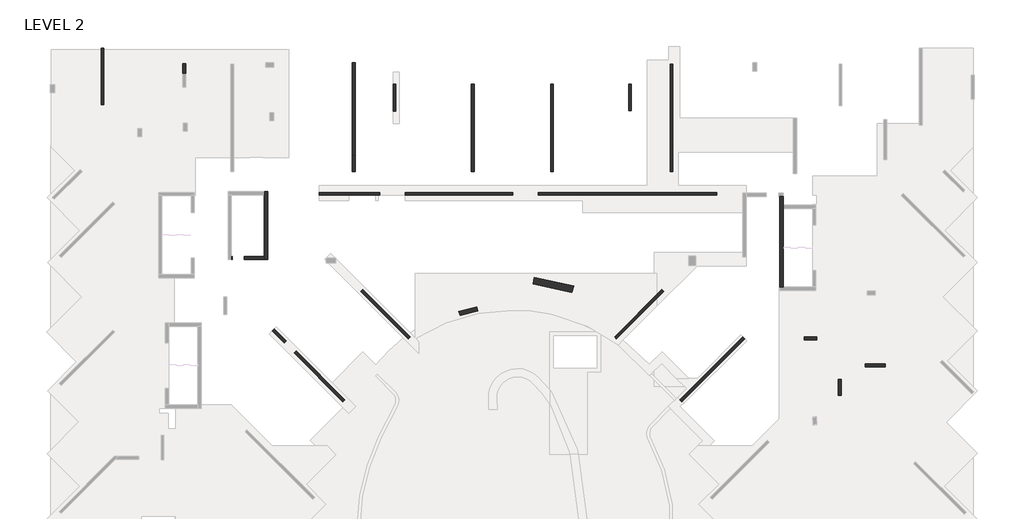
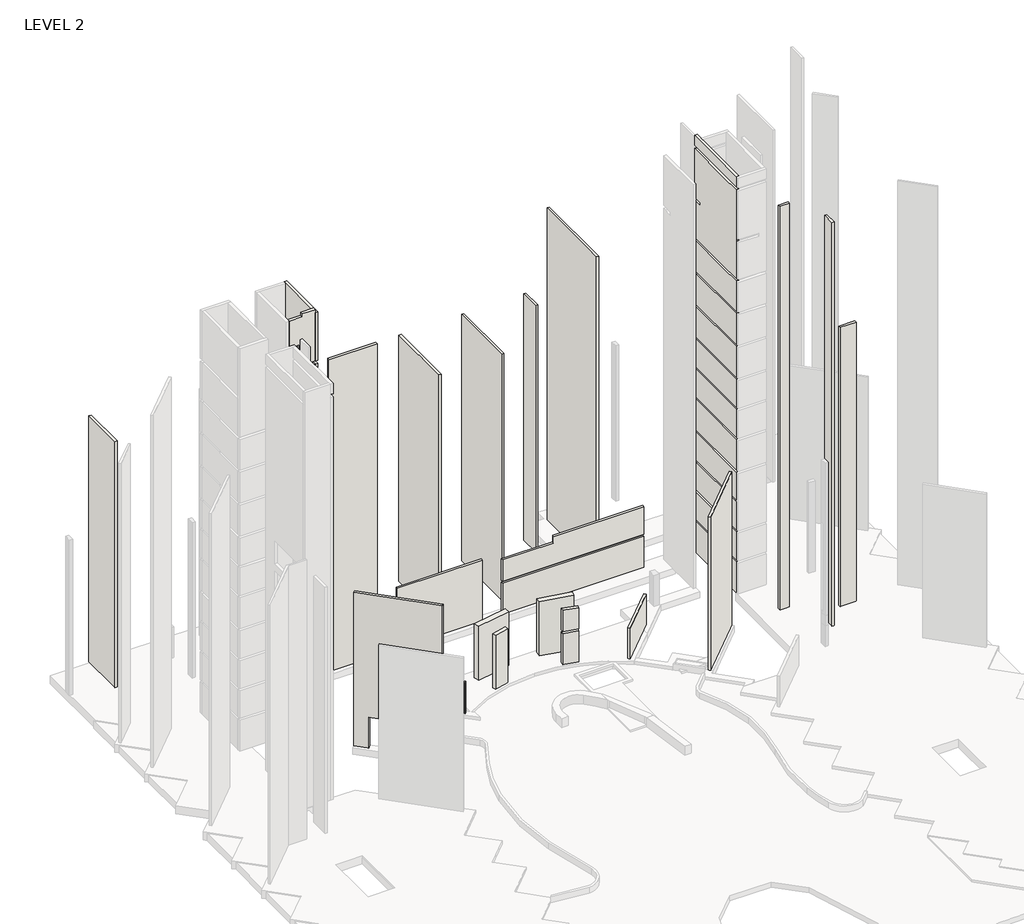
# One storey, part 4 of 9: 26 walls.
"""IFC4 building model written with IfcOpenShell, lengths in millimetres."""

from ifc_helpers import new_model, si_unit, point, frame, frame_2d, origin, place, context, project, spatial, polyline, circle_curve, trimmed, segment, composite_curve, outline, extrude, faceted_brep, element, save

model = new_model("IFC4")

# Units and contexts
model_context = context("Model", 3, world=origin())
ifc_project = project(units=[si_unit("LENGTHUNIT", "METRE", prefix="MILLI")], contexts=[model_context])

# Site, building, storey
site = spatial("IfcSite", under=ifc_project)
building = spatial("IfcBuilding", under=site)
storey = spatial("IfcBuildingStorey", under=building, Name="LEVEL 2", Elevation=6400.0)

# Walls
placement = place(None, origin())
element("IfcWall", 1, ObjectType="200 WALL", at=placement, inside=storey, context=model_context, shape_type="SweptSolid", body=[
    extrude(outline(polyline([(199994.4437068, 210295.6983002), (199994.4437068, 209085.6983002), (199794.4437068, 209085.6983002), (199794.4437068, 210295.6983002), (199994.4437068, 210295.6983002)])), frame((0.0, 0.0, 6400.0), z_axis=(0.0, 0.0, 1.0), x_axis=(1.0, 0.0, 0.0)), (0.0, 0.0, 1.0), 24300.0),
])
element("IfcWall", 2, ObjectType="200 WALL", at=placement, inside=storey, context=model_context, shape_type="SweptSolid", body=[
    extrude(outline(polyline([(228799.2504613, 196733.6398105), (224132.3457055, 192066.7350547), (223990.9243492, 192208.1564109), (228657.829105, 196875.0611667), (228799.2504613, 196733.6398105)])), frame((0.0, 0.0, 6400.0), z_axis=(0.0, 0.0, 1.0), x_axis=(1.0, 0.0, 0.0)), (0.0, 0.0, 1.0), 15150.0),
])
element("IfcWall", 3, ObjectType="200 WALL", at=placement, inside=storey, context=model_context, shape_type="SweptSolid", body=[
    extrude(outline(polyline([(181407.3096673, 218242.6490083), (181407.3096673, 214045.7315944), (181207.3096673, 214045.7315944), (181207.3096673, 218242.6490083), (181407.3096673, 218242.6490083)])), frame((0.0, 0.0, 6400.0), z_axis=(0.0, 0.0, 1.0), x_axis=(1.0, 0.0, 0.0)), (0.0, 0.0, 1.0), 24300.0),
])
element("IfcWall", 4, ObjectType="200 WALL", at=placement, inside=storey, context=model_context, shape_type="SweptSolid", body=[
    extrude(outline(polyline([(233213.3270284, 196855.6796194), (234113.3270284, 196855.6796194), (234113.3270284, 196655.6796194), (233213.3270284, 196655.6796194), (233213.3270284, 196855.6796194)])), frame((0.0, 0.0, 6400.0), z_axis=(0.0, 0.0, 1.0), x_axis=(1.0, 0.0, 0.0)), (0.0, 0.0, 1.0), 39850.0),
])
element("IfcWall", 5, ObjectType="200 WALL", at=placement, inside=storey, context=model_context, shape_type="SweptSolid", body=[
    extrude(outline(polyline([(200550.8503412, 200366.4902975), (204056.5742542, 196860.7663845), (203915.1528979, 196719.3450283), (200409.428985, 200225.0689412), (200550.8503412, 200366.4902975)])), frame((0.0, 0.0, 6400.0), z_axis=(0.0, 0.0, 1.0), x_axis=(1.0, 0.0, 0.0)), (0.0, 0.0, 1.0), 3050.0),
])
element("IfcWall", 6, ObjectType="200 WALL", at=placement, inside=storey, context=model_context, shape_type="SweptSolid", body=[
    extrude(outline(polyline([(222815.4445491, 200225.0689412), (219309.8682497, 196719.4926419), (219168.4468935, 196860.9139981), (222674.0231929, 200366.4902975), (222815.4445491, 200225.0689412)])), frame((0.0, 0.0, 6400.0), z_axis=(0.0, 0.0, 1.0), x_axis=(1.0, 0.0, 0.0)), (0.0, 0.0, 1.0), 3050.0),
])
element("IfcWall", 7, ObjectType="200 WALL", at=placement, inside=storey, context=model_context, shape_type="SweptSolid", body=[
    extrude(outline(polyline([(-3421.9423406, -15150.0), (-3421.9423406, 0.0), (-2172.3570402, 0.0), (-2172.3570402, -3050.0), (-1127.3570402, -3050.0), (-1127.3570402, 0.0), (3978.0576595, 0.0), (3978.0576595, -15150.0), (-3421.9423406, -15150.0)])), frame((196274.2360083, 194885.0310501, 6400.0), z_axis=(0.7071067811865476, 0.7071067811865476, 0.0), x_axis=(0.7071067811865476, -0.7071067811865476, 0.0)), (0.0, 0.0, 1.0), 200.0),
])
element("IfcWall", 8, ObjectType="200 WALL", at=placement, inside=storey, context=model_context, shape_type="SweptSolid", body=[
    extrude(outline(polyline([(235928.3270284, 193725.6490054), (235928.3270284, 192552.6178318), (235728.3270284, 192552.6178318), (235728.3270284, 193725.6490054), (235928.3270284, 193725.6490054)])), frame((0.0, 0.0, 6400.0), z_axis=(0.0, 0.0, 1.0), x_axis=(1.0, 0.0, 0.0)), (0.0, 0.0, 1.0), 39850.0),
])
element("IfcWall", 9, ObjectType="200 WALL", at=placement, inside=storey, context=model_context, shape_type="SweptSolid", body=[
    extrude(outline(polyline([(202803.192598, 213568.1983002), (202803.192598, 215562.6487431), (203003.192598, 215562.6487431), (203003.192598, 213568.1983002), (202803.192598, 213568.1983002)])), frame((0.0, 0.0, 6400.0), z_axis=(0.0, 0.0, 1.0), x_axis=(1.0, 0.0, 0.0)), (0.0, 0.0, 1.0), 24300.0),
])
element("IfcWall", 10, ObjectType="200 WALL", at=placement, inside=storey, context=model_context, shape_type="SweptSolid", body=[
    extrude(outline(polyline([(237688.3270284, 194850.8706319), (239188.3270284, 194850.8706319), (239188.3270284, 194650.8706319), (237688.3270284, 194650.8706319), (237688.3270284, 194850.8706319)])), frame((0.0, 0.0, 6400.0), z_axis=(0.0, 0.0, 1.0), x_axis=(1.0, 0.0, 0.0)), (0.0, 0.0, 1.0), 27550.0),
])
element("IfcWall", 11, ObjectType="200 WALL", at=placement, inside=storey, context=model_context, shape_type="SweptSolid", body=[
    extrude(outline(polyline([(199794.4437068, 210295.6983002), (199794.4437068, 217177.6490083), (199994.4437068, 217177.6490083), (199994.4437068, 210295.6983002), (199794.4437068, 210295.6983002)])), frame((0.0, 0.0, 6400.0), z_axis=(0.0, 0.0, 1.0), x_axis=(1.0, 0.0, 0.0)), (0.0, 0.0, 1.0), 24300.0),
])
element("IfcWall", 12, ObjectType="200 WALL", at=placement, inside=storey, context=model_context, shape_type="SweptSolid", body=[
    extrude(outline(polyline([(197323.7682162, 207553.1983002), (201812.4270036, 207553.1983002), (201812.4270036, 207353.1983002), (197323.7682162, 207353.1983002), (197323.7682162, 207553.1983002)])), frame((0.0, 0.0, 6400.0), z_axis=(0.0, 0.0, 1.0), x_axis=(1.0, 0.0, 0.0)), (0.0, 0.0, 1.0), 30800.0),
])
element("IfcWall", 13, ObjectType="200 WALL", at=placement, inside=storey, context=model_context, shape_type="Brep", body=[
    faceted_brep([(213542.4270036, 207353.1983002, 6400.0), (226721.1491692, 207353.1983002, 6400.0), (226721.1491692, 207353.1983002, 9450.0), (213542.4270036, 207353.1983002, 9450.0), (226721.1491692, 207553.1983002, 6400.0), (213542.4270036, 207553.1983002, 6400.0), (213542.4270036, 207553.1983002, 9450.0), (226721.1491692, 207553.1983002, 9450.0)], [[[0, 1, 2, 3]], [[4, 5, 6, 7]], [[1, 0, 5, 4]], [[1, 4, 7, 2]], [[5, 0, 3, 6]], [[3, 2, 7, 6]]]),
    faceted_brep([(226721.1491692, 207353.1983002, 9650.0), (226721.1491692, 207353.1983002, 12400.0), (218278.8508319, 207353.1983002, 12400.0), (218278.8508319, 207353.1983002, 11750.0), (213542.4270036, 207353.1983002, 11750.0), (213542.4270036, 207353.1983002, 9650.0), (226721.1491692, 207553.1983002, 12400.0), (226721.1491692, 207553.1983002, 9650.0), (213542.4270036, 207553.1983002, 9650.0), (213542.4270036, 207553.1983002, 11750.0), (218340.8622032, 207553.1983002, 11750.0), (218340.8622032, 207553.1983002, 12400.0)], [[[0, 1, 2, 3, 4, 5]], [[6, 7, 8, 9, 10, 11]], [[6, 1, 0, 7]], [[1, 6, 11, 2]], [[8, 5, 4, 9]], [[0, 5, 8, 7]], [[3, 10, 9, 4]], [[10, 3, 2, 11]]]),
])
element("IfcWall", 14, ObjectType="200 WALL", at=placement, inside=storey, context=model_context, shape_type="SweptSolid", body=[
    extrude(outline(polyline([(208589.6600084, 209085.6983002), (208589.6600084, 215562.6487431), (208789.6600084, 215562.6487431), (208789.6600084, 209085.6983002), (208589.6600084, 209085.6983002)])), frame((0.0, 0.0, 6400.0), z_axis=(0.0, 0.0, 1.0), x_axis=(1.0, 0.0, 0.0)), (0.0, 0.0, 1.0), 24300.0),
])
element("IfcWall", 15, ObjectType="200 WALL", at=placement, inside=storey, context=model_context, shape_type="SweptSolid", body=[
    extrude(outline(polyline([(214435.5689775, 209082.6487431), (214435.5689775, 215562.6487431), (214635.5689775, 215562.6487431), (214635.5689775, 209082.6487431), (214435.5689775, 209082.6487431)])), frame((0.0, 0.0, 6400.0), z_axis=(0.0, 0.0, 1.0), x_axis=(1.0, 0.0, 0.0)), (0.0, 0.0, 1.0), 24300.0),
])
element("IfcWall", 16, ObjectType="200 WALL", at=placement, inside=storey, context=model_context, shape_type="SweptSolid", body=[
    extrude(outline(polyline([(223282.0250868, 209085.6983002), (223282.0250868, 217062.6490083), (223482.0250868, 217062.6490083), (223482.0250868, 209085.6983002), (223282.0250868, 209085.6983002)])), frame((0.0, 0.0, 6400.0), z_axis=(0.0, 0.0, 1.0), x_axis=(1.0, 0.0, 0.0)), (0.0, 0.0, 1.0), 30800.0),
])
element("IfcWall", 17, ObjectType="200 WALL", at=placement, inside=storey, context=model_context, shape_type="SweptSolid", body=[
    extrude(outline(polyline([(211632.4270036, 207353.1983002), (203712.4270036, 207353.1983002), (203712.4270036, 207553.1983002), (211632.4270036, 207553.1983002), (211632.4270036, 207353.1983002)])), frame((0.0, 0.0, 6400.0), z_axis=(0.0, 0.0, 1.0), x_axis=(1.0, 0.0, 0.0)), (0.0, 0.0, 1.0), 6000.0),
])
element("IfcWall", 18, ObjectType="200 WALL", at=placement, inside=storey, context=model_context, shape_type="SweptSolid", body=[
    extrude(outline(polyline([(220221.6614093, 213617.6487431), (220221.6614093, 215562.6487431), (220421.6614093, 215562.6487431), (220421.6614093, 213617.6487431), (220221.6614093, 213617.6487431)])), frame((0.0, 0.0, 6400.0), z_axis=(0.0, 0.0, 1.0), x_axis=(1.0, 0.0, 0.0)), (0.0, 0.0, 1.0), 24300.0),
])
element("IfcWall", 19, ObjectType="200 WALL", at=placement, inside=storey, context=model_context, shape_type="SweptSolid", body=[
    extrude(outline(polyline([(187456.1491689, 217070.1490053), (187456.1491689, 216350.1490053), (187256.1491689, 216350.1490053), (187256.1491689, 217070.1490053), (187456.1491689, 217070.1490053)])), frame((0.0, 0.0, 6425.0), z_axis=(0.0, 0.0, 1.0), x_axis=(1.0, 0.0, 0.0)), (0.0, 0.0, 1.0), 3025.0),
])
element("IfcWall", 20, ObjectType="250 WALL", at=placement, inside=storey, context=model_context, shape_type="Brep", body=[
    faceted_brep([(191806.1489175, 202828.1983002, 30900.0), (191806.1489175, 202828.1983002, 33034.0), (190891.1489175, 202828.1983002, 33034.0), (190891.1489175, 202828.1983002, 30900.0), (190841.1489175, 202828.1983002, 30900.0), (190841.1489175, 202828.1983002, 33950.0), (193281.1958691, 202828.1983002, 33950.0), (193281.1958691, 202828.1983002, 30900.0), (191806.1489175, 202578.1983002, 33034.0), (191806.1489175, 202578.1983002, 30900.0), (193281.1958691, 202578.1983002, 30900.0), (193281.1958691, 202578.1983002, 33950.0), (190841.1489175, 202578.1983002, 33950.0), (190841.1489175, 202578.1983002, 30900.0), (190891.1489175, 202578.1983002, 30900.0), (190891.1489175, 202578.1983002, 33034.0)], [[[0, 1, 2, 3, 4, 5, 6, 7]], [[8, 9, 10, 11, 12, 13, 14, 15]], [[4, 13, 12, 5]], [[10, 7, 6, 11]], [[9, 8, 1, 0]], [[15, 14, 3, 2]], [[8, 15, 2, 1]], [[0, 7, 10, 9]], [[4, 3, 14, 13]], [[6, 5, 12, 11]]]),
    faceted_brep([(191806.1489175, 202828.1983002, 6400.0), (191806.1489175, 202828.1983002, 8534.0), (190891.1489175, 202828.1983002, 8534.0), (190891.1489175, 202828.1983002, 6400.0), (190841.1489175, 202828.1983002, 6400.0), (190841.1489175, 202828.1983002, 9450.0), (193281.1958691, 202828.1983002, 9450.0), (193281.1958691, 202828.1983002, 6400.0), (191806.1489175, 202578.1983002, 8534.0), (191806.1489175, 202578.1983002, 6400.0), (193281.1958691, 202578.1983002, 6400.0), (193281.1958691, 202578.1983002, 9450.0), (190841.1489175, 202578.1983002, 9450.0), (190841.1489175, 202578.1983002, 6400.0), (190891.1489175, 202578.1983002, 6400.0), (190891.1489175, 202578.1983002, 8534.0)], [[[0, 1, 2, 3, 4, 5, 6, 7]], [[8, 9, 10, 11, 12, 13, 14, 15]], [[13, 4, 3, 14]], [[7, 10, 9, 0]], [[4, 13, 12, 5]], [[10, 7, 6, 11]], [[9, 8, 1, 0]], [[15, 14, 3, 2]], [[8, 15, 2, 1]], [[6, 5, 12, 11]]]),
    faceted_brep([(191806.1489175, 202828.1983002, 9650.0), (191806.1489175, 202828.1983002, 11784.0), (190891.1489175, 202828.1983002, 11784.0), (190891.1489175, 202828.1983002, 9650.0), (190841.1489175, 202828.1983002, 9650.0), (190841.1489175, 202828.1983002, 12400.0), (193281.1958691, 202828.1983002, 12400.0), (193281.1958691, 202828.1983002, 9650.0), (191806.1489175, 202578.1983002, 11784.0), (191806.1489175, 202578.1983002, 9650.0), (193281.1958691, 202578.1983002, 9650.0), (193281.1958691, 202578.1983002, 12400.0), (190841.1489175, 202578.1983002, 12400.0), (190841.1489175, 202578.1983002, 9650.0), (190891.1489175, 202578.1983002, 9650.0), (190891.1489175, 202578.1983002, 11784.0)], [[[0, 1, 2, 3, 4, 5, 6, 7]], [[8, 9, 10, 11, 12, 13, 14, 15]], [[12, 5, 4, 13]], [[6, 11, 10, 7]], [[9, 8, 1, 0]], [[15, 14, 3, 2]], [[8, 15, 2, 1]], [[6, 5, 12, 11]], [[4, 3, 14, 13]], [[0, 7, 10, 9]]]),
    faceted_brep([(191806.1489175, 202828.1983002, 12600.0), (191806.1489175, 202828.1983002, 14734.0), (190891.1489175, 202828.1983002, 14734.0), (190891.1489175, 202828.1983002, 12600.0), (190841.1489175, 202828.1983002, 12600.0), (190841.1489175, 202828.1983002, 15350.0), (193281.1958691, 202828.1983002, 15350.0), (193281.1958691, 202828.1983002, 12600.0), (191806.1489175, 202578.1983002, 14734.0), (191806.1489175, 202578.1983002, 12600.0), (193281.1958691, 202578.1983002, 12600.0), (193281.1958691, 202578.1983002, 15350.0), (190841.1489175, 202578.1983002, 15350.0), (190841.1489175, 202578.1983002, 12600.0), (190891.1489175, 202578.1983002, 12600.0), (190891.1489175, 202578.1983002, 14734.0)], [[[0, 1, 2, 3, 4, 5, 6, 7]], [[8, 9, 10, 11, 12, 13, 14, 15]], [[4, 13, 12, 5]], [[10, 7, 6, 11]], [[9, 8, 1, 0]], [[15, 14, 3, 2]], [[8, 15, 2, 1]], [[4, 3, 14, 13]], [[0, 7, 10, 9]], [[6, 5, 12, 11]]]),
    faceted_brep([(191806.1489175, 202828.1983002, 15550.0), (191806.1489175, 202828.1983002, 17684.0), (190891.1489175, 202828.1983002, 17684.0), (190891.1489175, 202828.1983002, 15550.0), (190841.1489175, 202828.1983002, 15550.0), (190841.1489175, 202828.1983002, 18300.0), (193281.1958691, 202828.1983002, 18300.0), (193281.1958691, 202828.1983002, 15550.0), (191806.1489175, 202578.1983002, 17684.0), (191806.1489175, 202578.1983002, 15550.0), (193281.1958691, 202578.1983002, 15550.0), (193281.1958691, 202578.1983002, 18300.0), (190841.1489175, 202578.1983002, 18300.0), (190841.1489175, 202578.1983002, 15550.0), (190891.1489175, 202578.1983002, 15550.0), (190891.1489175, 202578.1983002, 17684.0)], [[[0, 1, 2, 3, 4, 5, 6, 7]], [[8, 9, 10, 11, 12, 13, 14, 15]], [[4, 13, 12, 5]], [[10, 7, 6, 11]], [[9, 8, 1, 0]], [[15, 14, 3, 2]], [[8, 15, 2, 1]], [[4, 3, 14, 13]], [[0, 7, 10, 9]], [[6, 5, 12, 11]]]),
    faceted_brep([(191806.1489175, 202828.1983002, 18500.0), (191806.1489175, 202828.1983002, 20634.0), (190891.1489175, 202828.1983002, 20634.0), (190891.1489175, 202828.1983002, 18500.0), (190841.1489175, 202828.1983002, 18500.0), (190841.1489175, 202828.1983002, 21550.0), (193281.1958691, 202828.1983002, 21550.0), (193281.1958691, 202828.1983002, 18500.0), (191806.1489175, 202578.1983002, 20634.0), (191806.1489175, 202578.1983002, 18500.0), (193281.1958691, 202578.1983002, 18500.0), (193281.1958691, 202578.1983002, 21550.0), (190841.1489175, 202578.1983002, 21550.0), (190841.1489175, 202578.1983002, 18500.0), (190891.1489175, 202578.1983002, 18500.0), (190891.1489175, 202578.1983002, 20634.0)], [[[0, 1, 2, 3, 4, 5, 6, 7]], [[8, 9, 10, 11, 12, 13, 14, 15]], [[12, 5, 4, 13]], [[6, 11, 10, 7]], [[9, 8, 1, 0]], [[15, 14, 3, 2]], [[8, 15, 2, 1]], [[6, 5, 12, 11]], [[4, 3, 14, 13]], [[0, 7, 10, 9]]]),
    faceted_brep([(191806.1489175, 202828.1983002, 21750.0), (191806.1489175, 202828.1983002, 23884.0), (190891.1489175, 202828.1983002, 23884.0), (190891.1489175, 202828.1983002, 21750.0), (190841.1489175, 202828.1983002, 21750.0), (190841.1489175, 202828.1983002, 24500.0), (193281.1958691, 202828.1983002, 24500.0), (193281.1958691, 202828.1983002, 21750.0), (191806.1489175, 202578.1983002, 23884.0), (191806.1489175, 202578.1983002, 21750.0), (193281.1958691, 202578.1983002, 21750.0), (193281.1958691, 202578.1983002, 24500.0), (190841.1489175, 202578.1983002, 24500.0), (190841.1489175, 202578.1983002, 21750.0), (190891.1489175, 202578.1983002, 21750.0), (190891.1489175, 202578.1983002, 23884.0)], [[[0, 1, 2, 3, 4, 5, 6, 7]], [[8, 9, 10, 11, 12, 13, 14, 15]], [[4, 13, 12, 5]], [[10, 7, 6, 11]], [[9, 8, 1, 0]], [[15, 14, 3, 2]], [[8, 15, 2, 1]], [[4, 3, 14, 13]], [[0, 7, 10, 9]], [[6, 5, 12, 11]]]),
    faceted_brep([(191806.1489175, 202828.1983002, 24700.0), (191806.1489175, 202828.1983002, 26834.0), (190891.1489175, 202828.1983002, 26834.0), (190891.1489175, 202828.1983002, 24700.0), (190841.1489175, 202828.1983002, 24700.0), (190841.1489175, 202828.1983002, 27450.0), (193281.1958691, 202828.1983002, 27450.0), (193281.1958691, 202828.1983002, 24700.0), (191806.1489175, 202578.1983002, 26834.0), (191806.1489175, 202578.1983002, 24700.0), (193281.1958691, 202578.1983002, 24700.0), (193281.1958691, 202578.1983002, 27450.0), (190841.1489175, 202578.1983002, 27450.0), (190841.1489175, 202578.1983002, 24700.0), (190891.1489175, 202578.1983002, 24700.0), (190891.1489175, 202578.1983002, 26834.0)], [[[0, 1, 2, 3, 4, 5, 6, 7]], [[8, 9, 10, 11, 12, 13, 14, 15]], [[12, 5, 4, 13]], [[6, 11, 10, 7]], [[9, 8, 1, 0]], [[15, 14, 3, 2]], [[8, 15, 2, 1]], [[6, 5, 12, 11]], [[4, 3, 14, 13]], [[0, 7, 10, 9]]]),
    faceted_brep([(191806.1489175, 202828.1983002, 27650.0), (191806.1489175, 202828.1983002, 29784.0), (190891.1489175, 202828.1983002, 29784.0), (190891.1489175, 202828.1983002, 27650.0), (190841.1489175, 202828.1983002, 27650.0), (190841.1489175, 202828.1983002, 30700.0), (193281.1958691, 202828.1983002, 30700.0), (193281.1958691, 202828.1983002, 27650.0), (191806.1489175, 202578.1983002, 29784.0), (191806.1489175, 202578.1983002, 27650.0), (193281.1958691, 202578.1983002, 27650.0), (193281.1958691, 202578.1983002, 30700.0), (190841.1489175, 202578.1983002, 30700.0), (190841.1489175, 202578.1983002, 27650.0), (190891.1489175, 202578.1983002, 27650.0), (190891.1489175, 202578.1983002, 29784.0)], [[[0, 1, 2, 3, 4, 5, 6, 7]], [[8, 9, 10, 11, 12, 13, 14, 15]], [[4, 13, 12, 5]], [[10, 7, 6, 11]], [[9, 8, 1, 0]], [[15, 14, 3, 2]], [[8, 15, 2, 1]], [[4, 3, 14, 13]], [[0, 7, 10, 9]], [[6, 5, 12, 11]]]),
    faceted_brep([(191806.1489175, 202828.1983002, 34150.0), (191806.1489175, 202828.1983002, 36284.0), (190891.1489175, 202828.1983002, 36284.0), (190891.1489175, 202828.1983002, 34150.0), (190841.1489175, 202828.1983002, 34150.0), (190841.1489175, 202828.1983002, 37150.0), (193281.1958691, 202828.1983002, 37150.0), (193281.1958691, 202828.1983002, 34150.0), (191806.1489175, 202578.1983002, 36284.0), (191806.1489175, 202578.1983002, 34150.0), (193281.1958691, 202578.1983002, 34150.0), (193281.1958691, 202578.1983002, 37150.0), (190841.1489175, 202578.1983002, 37150.0), (190841.1489175, 202578.1983002, 34150.0), (190891.1489175, 202578.1983002, 34150.0), (190891.1489175, 202578.1983002, 36284.0)], [[[0, 1, 2, 3, 4, 5, 6, 7]], [[8, 9, 10, 11, 12, 13, 14, 15]], [[4, 13, 12, 5]], [[10, 7, 6, 11]], [[9, 8, 1, 0]], [[15, 14, 3, 2]], [[8, 15, 2, 1]], [[4, 3, 14, 13]], [[0, 7, 10, 9]], [[6, 5, 12, 11]]]),
    faceted_brep([(191806.1489175, 202828.1983002, 37400.0), (191806.1489175, 202828.1983002, 39534.0), (190891.1489175, 202828.1983002, 39534.0), (190891.1489175, 202828.1983002, 37400.0), (190841.1489175, 202828.1983002, 37400.0), (190841.1489175, 202828.1983002, 41100.0), (193281.1958691, 202828.1983002, 41100.0), (193281.1958691, 202828.1983002, 37400.0), (191806.1489175, 202578.1983002, 39534.0), (191806.1489175, 202578.1983002, 37400.0), (193281.1958691, 202578.1983002, 37400.0), (193281.1958691, 202578.1983002, 41050.0), (193281.1958691, 202578.1983002, 41100.0), (190841.1489175, 202578.1983002, 41100.0), (190841.1489175, 202578.1983002, 41050.0), (190841.1489175, 202578.1983002, 37400.0), (190891.1489175, 202578.1983002, 37400.0), (190891.1489175, 202578.1983002, 39534.0)], [[[0, 1, 2, 3, 4, 5, 6, 7]], [[8, 9, 10, 11, 12, 13, 14, 15, 16, 17]], [[13, 5, 4, 15, 14]], [[6, 12, 11, 10, 7]], [[9, 8, 1, 0]], [[17, 16, 3, 2]], [[8, 17, 2, 1]], [[6, 5, 13, 12]], [[4, 3, 16, 15]], [[0, 7, 10, 9]]]),
    faceted_brep([(191806.1489175, 202828.1983002, 43484.0), (190891.1489175, 202828.1983002, 43484.0), (190891.1489175, 202828.1983002, 41400.0), (190841.1489175, 202828.1983002, 41400.0), (190841.1489175, 202828.1983002, 46150.0), (192081.1489175, 202828.1983002, 46150.0), (192081.1489175, 202828.1983002, 46450.0), (193281.1958691, 202828.1983002, 46450.0), (193281.1958691, 202828.1983002, 46150.0), (193281.1958691, 202828.1983002, 41400.0), (191806.1489175, 202828.1983002, 41400.0), (190891.1489175, 202578.1983002, 43484.0), (191806.1489175, 202578.1983002, 43484.0), (191806.1489175, 202578.1983002, 41400.0), (193281.1958691, 202578.1983002, 41400.0), (193281.1958691, 202578.1983002, 46150.0), (193281.1958691, 202578.1983002, 46450.0), (192081.1489175, 202578.1983002, 46450.0), (192081.1489175, 202578.1983002, 46150.0), (190841.1489175, 202578.1983002, 46150.0), (190841.1489175, 202578.1983002, 41400.0), (190891.1489175, 202578.1983002, 41400.0)], [[[0, 1, 2, 3, 4, 5, 6, 7, 8, 9, 10]], [[11, 12, 13, 14, 15, 16, 17, 18, 19, 20, 21]], [[16, 7, 6, 17]], [[3, 20, 19, 4]], [[7, 16, 15, 14, 9, 8]], [[12, 0, 10, 13]], [[1, 11, 21, 2]], [[12, 11, 1, 0]], [[3, 2, 21, 20]], [[10, 9, 14, 13]], [[18, 5, 4, 19]], [[5, 18, 17, 6]]]),
])
element("IfcWall", 21, ObjectType="250 WALL", at=placement, inside=storey, context=model_context, shape_type="Brep", body=[
    faceted_brep([(193531.1958691, 202578.2169811, 6400.0), (193531.1958691, 207608.1983002, 6400.0), (193531.1958691, 207608.1983002, 9450.0), (193531.1958691, 207253.1983002, 9450.0), (193531.1958691, 202703.2169811, 9450.0), (193531.1958691, 202578.2169811, 9450.0), (193281.1958691, 207608.1983002, 6400.0), (193281.1958691, 207358.1983002, 6400.0), (193281.1958691, 202828.1983002, 6400.0), (193281.1958691, 202578.2169811, 6400.0), (193281.1958691, 202578.2169811, 9450.0), (193281.1958691, 204198.1983002, 9450.0), (193281.1958691, 207358.1983002, 9450.0), (193281.1958691, 207608.1983002, 9450.0)], [[[0, 1, 2, 3, 4, 5]], [[6, 7, 8, 9, 10, 11, 12, 13]], [[1, 0, 9, 8, 7, 6]], [[9, 0, 5, 10]], [[1, 6, 13, 2]], [[3, 2, 13, 12, 11, 10, 5, 4]]]),
    faceted_brep([(193531.1958691, 207253.1983002, 9650.0), (193531.1958691, 207608.1983002, 9650.0), (193531.1958691, 207608.1983002, 12400.0), (193531.1958691, 202578.2169811, 12400.0), (193531.1958691, 202578.2169811, 9650.0), (193531.1958691, 202703.2169811, 9650.0), (193281.1958691, 204198.1983002, 9650.0), (193281.1958691, 202578.2169811, 9650.0), (193281.1958691, 202578.2169811, 12400.0), (193281.1958691, 204198.1983002, 12400.0), (193281.1958691, 207358.1983002, 12400.0), (193281.1958691, 207608.1983002, 12400.0), (193281.1958691, 207608.1983002, 9650.0), (193281.1958691, 207358.1983002, 9650.0)], [[[0, 1, 2, 3, 4, 5]], [[6, 7, 8, 9, 10, 11, 12, 13]], [[7, 4, 3, 8]], [[1, 12, 11, 2]], [[1, 0, 5, 4, 7, 6, 13, 12]], [[3, 2, 11, 10, 9, 8]]]),
    faceted_brep([(193531.1958691, 202578.2169811, 12600.0), (193531.1958691, 207608.1983002, 12600.0), (193531.1958691, 207608.1983002, 15350.0), (193531.1958691, 202578.2169811, 15350.0), (193281.1958691, 207608.1983002, 12600.0), (193281.1958691, 207358.1983002, 12600.0), (193281.1958691, 204198.1983002, 12600.0), (193281.1958691, 202578.2169811, 12600.0), (193281.1958691, 202578.2169811, 15350.0), (193281.1958691, 204198.1983002, 15350.0), (193281.1958691, 207358.1983002, 15350.0), (193281.1958691, 207608.1983002, 15350.0)], [[[0, 1, 2, 3]], [[4, 5, 6, 7, 8, 9, 10, 11]], [[7, 0, 3, 8]], [[1, 4, 11, 2]], [[1, 0, 7, 6, 5, 4]], [[3, 2, 11, 10, 9, 8]]]),
    faceted_brep([(193531.1958691, 202578.2169811, 15550.0), (193531.1958691, 207608.1983002, 15550.0), (193531.1958691, 207608.1983002, 18300.0), (193531.1958691, 202578.2169811, 18300.0), (193281.1958691, 207608.1983002, 15550.0), (193281.1958691, 207358.1983002, 15550.0), (193281.1958691, 204198.1983002, 15550.0), (193281.1958691, 202578.2169811, 15550.0), (193281.1958691, 202578.2169811, 18300.0), (193281.1958691, 204198.1983002, 18300.0), (193281.1958691, 207358.1983002, 18300.0), (193281.1958691, 207608.1983002, 18300.0)], [[[0, 1, 2, 3]], [[4, 5, 6, 7, 8, 9, 10, 11]], [[7, 0, 3, 8]], [[1, 4, 11, 2]], [[1, 0, 7, 6, 5, 4]], [[3, 2, 11, 10, 9, 8]]]),
    faceted_brep([(193531.1958691, 202578.2169811, 18500.0), (193531.1958691, 207608.1983002, 18500.0), (193531.1958691, 207608.1983002, 21550.0), (193531.1958691, 202578.2169811, 21550.0), (193281.1958691, 207608.1983002, 18500.0), (193281.1958691, 207358.1983002, 18500.0), (193281.1958691, 204198.1983002, 18500.0), (193281.1958691, 202578.2169811, 18500.0), (193281.1958691, 202578.2169811, 21550.0), (193281.1958691, 203943.1983002, 21550.0), (193281.1958691, 207358.1983002, 21550.0), (193281.1958691, 207608.1983002, 21550.0)], [[[0, 1, 2, 3]], [[4, 5, 6, 7, 8, 9, 10, 11]], [[7, 0, 3, 8]], [[1, 4, 11, 2]], [[1, 0, 7, 6, 5, 4]], [[3, 2, 11, 10, 9, 8]]]),
    faceted_brep([(193531.1958691, 202578.2169811, 21750.0), (193531.1958691, 207608.1983002, 21750.0), (193531.1958691, 207608.1983002, 24500.0), (193531.1958691, 202578.2169811, 24500.0), (193281.1958691, 207608.1983002, 21750.0), (193281.1958691, 207358.1983002, 21750.0), (193281.1958691, 203943.1983002, 21750.0), (193281.1958691, 202578.2169811, 21750.0), (193281.1958691, 202578.2169811, 24500.0), (193281.1958691, 204198.1983002, 24500.0), (193281.1958691, 207358.1983002, 24500.0), (193281.1958691, 207608.1983002, 24500.0)], [[[0, 1, 2, 3]], [[4, 5, 6, 7, 8, 9, 10, 11]], [[7, 0, 3, 8]], [[1, 4, 11, 2]], [[1, 0, 7, 6, 5, 4]], [[3, 2, 11, 10, 9, 8]]]),
    faceted_brep([(193531.1958691, 202578.2169811, 24700.0), (193531.1958691, 207608.1983002, 24700.0), (193531.1958691, 207608.1983002, 27450.0), (193531.1958691, 202578.2169811, 27450.0), (193281.1958691, 207608.1983002, 24700.0), (193281.1958691, 207358.1983002, 24700.0), (193281.1958691, 204198.1983002, 24700.0), (193281.1958691, 202578.2169811, 24700.0), (193281.1958691, 202578.2169811, 27450.0), (193281.1958691, 204198.1983002, 27450.0), (193281.1958691, 207358.1983002, 27450.0), (193281.1958691, 207608.1983002, 27450.0)], [[[0, 1, 2, 3]], [[4, 5, 6, 7, 8, 9, 10, 11]], [[7, 0, 3, 8]], [[1, 4, 11, 2]], [[1, 0, 7, 6, 5, 4]], [[3, 2, 11, 10, 9, 8]]]),
    faceted_brep([(193531.1958691, 202578.2169811, 27650.0), (193531.1958691, 207608.1983002, 27650.0), (193531.1958691, 207608.1983002, 30700.0), (193531.1958691, 202578.2169811, 30700.0), (193281.1958691, 207608.1983002, 27650.0), (193281.1958691, 207358.1983002, 27650.0), (193281.1958691, 204198.1983002, 27650.0), (193281.1958691, 202578.2169811, 27650.0), (193281.1958691, 202578.2169811, 30700.0), (193281.1958691, 203943.1983002, 30700.0), (193281.1958691, 207358.1983002, 30700.0), (193281.1958691, 207608.1983002, 30700.0)], [[[0, 1, 2, 3]], [[4, 5, 6, 7, 8, 9, 10, 11]], [[7, 0, 3, 8]], [[1, 4, 11, 2]], [[1, 0, 7, 6, 5, 4]], [[3, 2, 11, 10, 9, 8]]]),
    faceted_brep([(193531.1958691, 202578.2169811, 30900.0), (193531.1958691, 207608.1983002, 30900.0), (193531.1958691, 207608.1983002, 33950.0), (193531.1958691, 202578.2169811, 33950.0), (193281.1958691, 207608.1983002, 30900.0), (193281.1958691, 207358.1983002, 30900.0), (193281.1958691, 203943.1983002, 30900.0), (193281.1958691, 202578.2169811, 30900.0), (193281.1958691, 202578.2169811, 33950.0), (193281.1958691, 203943.1983002, 33950.0), (193281.1958691, 207358.1983002, 33950.0), (193281.1958691, 207608.1983002, 33950.0)], [[[0, 1, 2, 3]], [[4, 5, 6, 7, 8, 9, 10, 11]], [[7, 0, 3, 8]], [[1, 4, 11, 2]], [[1, 0, 7, 6, 5, 4]], [[3, 2, 11, 10, 9, 8]]]),
    faceted_brep([(193531.1958691, 202578.2169811, 34150.0), (193531.1958691, 207608.1983002, 34150.0), (193531.1958691, 207608.1983002, 37150.0), (193531.1958691, 202578.2169811, 37150.0), (193281.1958691, 207608.1983002, 34150.0), (193281.1958691, 207358.1983002, 34150.0), (193281.1958691, 203943.1983002, 34150.0), (193281.1958691, 202578.2169811, 34150.0), (193281.1958691, 202578.2169811, 37150.0), (193281.1958691, 203943.1983002, 37150.0), (193281.1958691, 207358.1983002, 37150.0), (193281.1958691, 207608.1983002, 37150.0)], [[[0, 1, 2, 3]], [[4, 5, 6, 7, 8, 9, 10, 11]], [[7, 0, 3, 8]], [[1, 4, 11, 2]], [[1, 0, 7, 6, 5, 4]], [[3, 2, 11, 10, 9, 8]]]),
    faceted_brep([(193531.1958691, 202578.2169811, 37400.0), (193531.1958691, 207608.1983002, 37400.0), (193531.1958691, 207608.1983002, 41050.0), (193531.1958691, 207392.1983002, 41050.0), (193531.1958691, 207373.1983002, 41050.0), (193531.1958691, 207358.1983002, 41050.0), (193531.1958691, 205942.1983002, 41050.0), (193531.1958691, 202578.2169811, 41050.0), (193281.1958691, 207608.1983002, 37400.0), (193281.1958691, 207358.1983002, 37400.0), (193281.1958691, 203943.1983002, 37400.0), (193281.1958691, 202578.2169811, 37400.0), (193281.1958691, 202578.2169811, 41050.0), (193281.1958691, 202828.1983002, 41050.0), (193281.1958691, 207358.1983002, 41050.0), (193281.1958691, 207608.1983002, 41050.0)], [[[0, 1, 2, 3, 4, 5, 6, 7]], [[8, 9, 10, 11, 12, 13, 14, 15]], [[11, 0, 7, 12]], [[1, 8, 15, 2]], [[1, 0, 11, 10, 9, 8]], [[7, 6, 5, 4, 3, 2, 15, 14, 13, 12]]]),
    faceted_brep([(193531.1958691, 202578.2169811, 41350.0), (193531.1958691, 205942.1983002, 41350.0), (193531.1958691, 207358.1983002, 41350.0), (193531.1958691, 207373.1983002, 41350.0), (193531.1958691, 207392.1983002, 41350.0), (193531.1958691, 207608.1983002, 41350.0), (193531.1958691, 207608.1983002, 46150.0), (193531.1958691, 202578.2169811, 46150.0), (193281.1958691, 207608.1983002, 41350.0), (193281.1958691, 207358.1983002, 41350.0), (193281.1958691, 203198.1643937, 41350.0), (193281.1958691, 202828.1983002, 41350.0), (193281.1958691, 202578.2169811, 41350.0), (193281.1958691, 202578.2169811, 46150.0), (193281.1958691, 207358.1983002, 46150.0), (193281.1958691, 207608.1983002, 46150.0)], [[[0, 1, 2, 3, 4, 5, 6, 7]], [[8, 9, 10, 11, 12, 13, 14, 15]], [[12, 0, 7, 13]], [[5, 8, 15, 6]], [[1, 0, 12, 11, 10, 9, 8, 5, 4, 3, 2]], [[7, 6, 15, 14, 13]]]),
])
element("IfcWall", 22, ObjectType="250 WALL", at=placement, inside=storey, context=model_context, shape_type="Brep", body=[
    faceted_brep([(231402.4721706, 200548.1983002, 47450.0), (231402.4721706, 207268.1983032, 47450.0), (231402.4721706, 207268.1983032, 46450.0), (231402.4721706, 200548.1983002, 46450.0), (231652.4721706, 207268.1983032, 47450.0), (231652.4721706, 206613.2322067, 47450.0), (231652.4721706, 206363.2322067, 47450.0), (231652.4721706, 200548.1983002, 47450.0), (231652.4721706, 200548.1983002, 46450.0), (231652.4721706, 206363.1983002, 46450.0), (231652.4721706, 206613.2322067, 46450.0), (231652.4721706, 207268.1983032, 46450.0)], [[[0, 1, 2, 3]], [[4, 5, 6, 7, 8, 9, 10, 11]], [[1, 0, 7, 6, 5, 4]], [[7, 0, 3, 8]], [[1, 4, 11, 2]], [[3, 2, 11, 10, 9, 8]]]),
    faceted_brep([(231402.4721706, 207268.1983032, 6400.0), (231402.4721706, 202773.216984, 6400.0), (231402.4721706, 202523.216984, 6400.0), (231402.4721706, 200548.1983002, 6400.0), (231402.4721706, 200548.1983002, 9450.0), (231402.4721706, 207268.1983032, 9450.0), (231402.4721706, 207268.1983032, 9650.0), (231402.4721706, 200548.1983002, 9650.0), (231402.4721706, 200548.1983002, 12400.0), (231402.4721706, 207268.1983032, 12400.0), (231402.4721706, 200548.1983002, 46150.0), (231402.4721706, 202523.216984, 46150.0), (231402.4721706, 202773.216984, 46150.0), (231402.4721706, 207268.1983032, 46150.0), (231402.4721706, 207268.1983032, 41350.0), (231402.4721706, 206363.2314997, 41350.0), (231402.4721706, 206363.2322067, 41050.0), (231402.4721706, 207268.1983032, 41050.0), (231402.4721706, 207268.1983032, 37400.0), (231402.4721706, 202773.216984, 37400.0), (231402.4721706, 202523.216984, 37400.0), (231402.4721706, 200548.1983002, 37400.0), (231402.4721706, 200548.1983002, 41050.0), (231402.4721706, 200548.1983002, 41350.0), (231402.4721706, 200548.1983002, 37150.0), (231402.4721706, 202523.216984, 37150.0), (231402.4721706, 202773.216984, 37150.0), (231402.4721706, 207268.1983032, 37150.0), (231402.4721706, 207268.1983032, 34150.0), (231402.4721706, 200548.1983002, 34150.0), (231402.4721706, 200548.1983002, 33950.0), (231402.4721706, 207268.1983032, 33950.0), (231402.4721706, 207268.1983032, 30900.0), (231402.4721706, 200548.1983002, 30900.0), (231402.4721706, 200548.1983002, 30700.0), (231402.4721706, 207268.1983032, 30700.0), (231402.4721706, 207268.1983032, 27650.0), (231402.4721706, 200548.1983002, 27650.0), (231402.4721706, 200548.1983002, 27450.0), (231402.4721706, 207268.1983032, 27450.0), (231402.4721706, 207268.1983032, 24700.0), (231402.4721706, 200548.1983002, 24700.0), (231402.4721706, 200548.1983002, 24500.0), (231402.4721706, 207268.1983032, 24500.0), (231402.4721706, 207268.1983032, 21750.0), (231402.4721706, 200548.1983002, 21750.0), (231402.4721706, 200548.1983002, 21550.0), (231402.4721706, 207268.1983032, 21550.0), (231402.4721706, 207268.1983032, 18500.0), (231402.4721706, 200548.1983002, 18500.0), (231402.4721706, 200548.1983002, 18300.0), (231402.4721706, 207268.1983032, 18300.0), (231402.4721706, 207268.1983032, 15550.0), (231402.4721706, 200548.1983002, 15550.0), (231402.4721706, 200548.1983002, 15350.0), (231402.4721706, 207268.1983032, 15350.0), (231402.4721706, 207268.1983032, 12600.0), (231402.4721706, 200548.1983002, 12600.0), (231652.4721706, 200548.1983002, 6400.0), (231652.4721706, 206363.2322067, 6400.0), (231652.4721706, 206613.2322067, 6400.0), (231652.4721706, 207268.1983032, 6400.0), (231652.4721706, 207268.1983032, 41050.0), (231652.4721706, 206613.2322067, 41050.0), (231652.4721706, 206363.2280558, 41050.0), (231652.4721706, 206363.2322067, 41350.0), (231652.4721706, 206613.2322067, 41350.0), (231652.4721706, 207268.1983032, 41350.0), (231652.4721706, 207268.1983032, 46150.0), (231652.4721706, 206613.2322067, 46150.0), (231652.4721706, 206363.1983002, 46150.0), (231652.4721706, 200548.1983002, 46150.0), (231652.4721706, 200548.1983002, 37400.0), (231652.4721706, 206363.1983002, 37400.0), (231652.4721706, 206613.2322067, 37400.0), (231652.4721706, 206663.2322067, 37400.0), (231652.4721706, 206663.2322067, 37150.0), (231652.4721706, 206613.2322067, 37150.0), (231652.4721706, 206363.1983002, 37150.0), (231652.4721706, 200548.1983002, 37150.0), (231652.4721706, 200548.1983002, 34150.0), (231652.4721706, 206363.1983002, 34150.0), (231652.4721706, 206613.2322067, 34150.0), (231652.4721706, 206663.2322067, 34150.0), (231652.4721706, 206663.2322067, 33950.0), (231652.4721706, 206613.2322067, 33950.0), (231652.4721706, 206363.1983002, 33950.0), (231652.4721706, 200548.1983002, 33950.0), (231652.4721706, 200548.1983002, 30900.0), (231652.4721706, 206363.1983002, 30900.0), (231652.4721706, 206613.2322067, 30900.0), (231652.4721706, 206663.2322067, 30900.0), (231652.4721706, 206663.2322067, 30700.0), (231652.4721706, 206613.2322067, 30700.0), (231652.4721706, 206363.1983002, 30700.0), (231652.4721706, 200548.1983002, 30700.0), (231652.4721706, 200548.1983002, 27650.0), (231652.4721706, 206363.1983002, 27650.0), (231652.4721706, 206613.2322067, 27650.0), (231652.4721706, 206663.2322067, 27650.0), (231652.4721706, 206663.2322067, 27450.0), (231652.4721706, 206613.2322067, 27450.0), (231652.4721706, 206363.1983002, 27450.0), (231652.4721706, 200548.1983002, 27450.0), (231652.4721706, 200548.1983002, 24700.0), (231652.4721706, 206363.1983002, 24700.0), (231652.4721706, 206613.2322067, 24700.0), (231652.4721706, 206663.2322067, 24700.0), (231652.4721706, 206663.2322067, 24500.0), (231652.4721706, 206613.2322067, 24500.0), (231652.4721706, 206363.1983002, 24500.0), (231652.4721706, 200548.1983002, 24500.0), (231652.4721706, 200548.1983002, 21750.0), (231652.4721706, 206363.1983002, 21750.0), (231652.4721706, 206613.2322067, 21750.0), (231652.4721706, 206663.2322067, 21750.0), (231652.4721706, 206663.2322067, 21550.0), (231652.4721706, 206613.2322067, 21550.0), (231652.4721706, 206363.1983002, 21550.0), (231652.4721706, 200548.1983002, 21550.0), (231652.4721706, 200548.1983002, 18500.0), (231652.4721706, 206363.1983002, 18500.0), (231652.4721706, 206613.2322067, 18500.0), (231652.4721706, 206663.2322067, 18500.0), (231652.4721706, 206663.2322067, 18300.0), (231652.4721706, 206613.2322067, 18300.0), (231652.4721706, 206363.1983002, 18300.0), (231652.4721706, 200548.1983002, 18300.0), (231652.4721706, 200548.1983002, 15550.0), (231652.4721706, 206363.1983002, 15550.0), (231652.4721706, 206613.2322067, 15550.0), (231652.4721706, 206663.2322067, 15550.0), (231652.4721706, 206663.2322067, 15350.0), (231652.4721706, 206613.2322067, 15350.0), (231652.4721706, 206363.1983002, 15350.0), (231652.4721706, 200548.1983002, 15350.0), (231652.4721706, 200548.1983002, 12600.0), (231652.4721706, 206363.1983002, 12600.0), (231652.4721706, 206613.2322067, 12600.0), (231652.4721706, 206663.2322067, 12600.0), (231652.4721706, 206663.2322067, 12400.0), (231652.4721706, 206613.2322067, 12400.0), (231652.4721706, 206363.1983002, 12400.0), (231652.4721706, 200548.1983002, 12400.0), (231652.4721706, 200548.1983002, 9650.0), (231652.4721706, 206363.1983002, 9650.0), (231652.4721706, 206613.2322067, 9650.0), (231652.4721706, 206663.2322067, 9650.0), (231652.4721706, 206663.2322067, 9450.0), (231652.4721706, 206613.2322067, 9450.0), (231652.4721706, 206363.1983002, 9450.0), (231652.4721706, 200548.1983002, 9450.0), (231601.5721706, 206663.2322067, 9450.0), (231601.5721706, 207268.1983032, 9450.0), (231601.5721706, 207268.1983032, 9650.0), (231601.5721706, 206663.2322067, 9650.0), (231601.5721706, 207268.1983032, 12400.0), (231601.5721706, 207268.1983032, 12600.0), (231601.5721706, 207268.1983032, 15350.0), (231601.5721706, 207268.1983032, 15550.0), (231601.5721706, 207268.1983032, 18300.0), (231601.5721706, 207268.1983032, 18500.0), (231601.5721706, 207268.1983032, 21550.0), (231601.5721706, 207268.1983032, 21750.0), (231601.5721706, 207268.1983032, 24500.0), (231601.5721706, 207268.1983032, 24700.0), (231601.5721706, 207268.1983032, 27450.0), (231601.5721706, 207268.1983032, 27650.0), (231601.5721706, 207268.1983032, 30700.0), (231601.5721706, 207268.1983032, 30900.0), (231601.5721706, 207268.1983032, 33950.0), (231601.5721706, 207268.1983032, 34150.0), (231601.5721706, 207268.1983032, 37150.0), (231601.5721706, 207268.1983032, 37400.0), (231601.5721706, 206663.2322067, 37150.0), (231601.5721706, 206663.2322067, 37400.0), (231601.5721706, 206663.2322067, 33950.0), (231601.5721706, 206663.2322067, 34150.0), (231601.5721706, 206663.2322067, 30700.0), (231601.5721706, 206663.2322067, 30900.0), (231601.5721706, 206663.2322067, 27450.0), (231601.5721706, 206663.2322067, 27650.0), (231601.5721706, 206663.2322067, 24500.0), (231601.5721706, 206663.2322067, 24700.0), (231601.5721706, 206663.2322067, 21550.0), (231601.5721706, 206663.2322067, 21750.0), (231601.5721706, 206663.2322067, 18300.0), (231601.5721706, 206663.2322067, 18500.0), (231601.5721706, 206663.2322067, 15350.0), (231601.5721706, 206663.2322067, 15550.0), (231601.5721706, 206663.2322067, 12400.0), (231601.5721706, 206663.2322067, 12600.0)], [[[0, 1, 2, 3, 4, 5]], [[6, 7, 8, 9]], [[10, 11, 12, 13, 14, 15, 16, 17, 18, 19, 20, 21, 22, 23]], [[24, 25, 26, 27, 28, 29]], [[30, 31, 32, 33]], [[34, 35, 36, 37]], [[38, 39, 40, 41]], [[42, 43, 44, 45]], [[46, 47, 48, 49]], [[50, 51, 52, 53]], [[54, 55, 56, 57]], [[58, 59, 60, 61, 62, 63, 64, 65, 66, 67, 68, 69, 70, 71, 72, 73, 74, 75, 76, 77, 78, 79, 80, 81, 82, 83, 84, 85, 86, 87, 88, 89, 90, 91, 92, 93, 94, 95, 96, 97, 98, 99, 100, 101, 102, 103, 104, 105, 106, 107, 108, 109, 110, 111, 112, 113, 114, 115, 116, 117, 118, 119, 120, 121, 122, 123, 124, 125, 126, 127, 128, 129, 130, 131, 132, 133, 134, 135, 136, 137, 138, 139, 140, 141, 142, 143, 144, 145, 146, 147, 148, 149, 150, 151]], [[3, 2, 1, 0, 61, 60, 59, 58]], [[5, 4, 151, 150, 149, 148, 152, 153]], [[7, 6, 154, 155, 147, 146, 145, 144]], [[3, 58, 151, 4]], [[7, 144, 143, 8]], [[71, 10, 23, 22, 21, 72]], [[79, 24, 29, 80]], [[87, 30, 33, 88]], [[95, 34, 37, 96]], [[103, 38, 41, 104]], [[111, 42, 45, 112]], [[119, 46, 49, 120]], [[127, 50, 53, 128]], [[135, 54, 57, 136]], [[152, 155, 154, 153]], [[155, 152, 148, 147]], [[61, 0, 5, 153, 154, 6, 9, 156, 157, 56, 55, 158, 159, 52, 51, 160, 161, 48, 47, 162, 163, 44, 43, 164, 165, 40, 39, 166, 167, 36, 35, 168, 169, 32, 31, 170, 171, 28, 27, 172, 173, 18, 17, 62]], [[13, 68, 67, 14]], [[13, 12, 11, 10, 71, 70, 69, 68]], [[16, 64, 63, 62, 17]], [[65, 15, 14, 67, 66]], [[64, 16, 15, 65]], [[76, 174, 172, 27, 26, 25, 24, 79, 78, 77]], [[173, 175, 75, 74, 73, 72, 21, 20, 19, 18]], [[174, 175, 173, 172]], [[175, 174, 76, 75]], [[84, 176, 170, 31, 30, 87, 86, 85]], [[171, 177, 83, 82, 81, 80, 29, 28]], [[176, 177, 171, 170]], [[177, 176, 84, 83]], [[92, 178, 168, 35, 34, 95, 94, 93]], [[169, 179, 91, 90, 89, 88, 33, 32]], [[178, 179, 169, 168]], [[179, 178, 92, 91]], [[100, 180, 166, 39, 38, 103, 102, 101]], [[167, 181, 99, 98, 97, 96, 37, 36]], [[180, 181, 167, 166]], [[181, 180, 100, 99]], [[108, 182, 164, 43, 42, 111, 110, 109]], [[165, 183, 107, 106, 105, 104, 41, 40]], [[182, 183, 165, 164]], [[183, 182, 108, 107]], [[116, 184, 162, 47, 46, 119, 118, 117]], [[163, 185, 115, 114, 113, 112, 45, 44]], [[184, 185, 163, 162]], [[185, 184, 116, 115]], [[124, 186, 160, 51, 50, 127, 126, 125]], [[161, 187, 123, 122, 121, 120, 49, 48]], [[186, 187, 161, 160]], [[187, 186, 124, 123]], [[132, 188, 158, 55, 54, 135, 134, 133]], [[159, 189, 131, 130, 129, 128, 53, 52]], [[188, 189, 159, 158]], [[189, 188, 132, 131]], [[140, 190, 156, 9, 8, 143, 142, 141]], [[157, 191, 139, 138, 137, 136, 57, 56]], [[190, 191, 157, 156]], [[191, 190, 140, 139]]]),
])
element("IfcWall", 23, ObjectType="300 WALL", at=placement, inside=storey, context=model_context, shape_type="SweptSolid", body=[
    extrude(outline(composite_curve([segment(trimmed(circle_curve(frame_2d((211489.1977134, 186033.6293209)), 12984.7038051), [point((209044.7505049, 198786.1667449))], [point((207743.5471067, 198466.3536579))], True, "CARTESIAN"), True, "CONTINUOUS"), segment(polyline([(207743.5471067, 198466.3536579), (207657.0071903, 198753.6006646)]), True, "CONTINUOUS"), segment(trimmed(circle_curve(frame_2d((211489.1977134, 186033.6293209)), 13284.7038051), [point((207657.0071903, 198753.6006646))], [point((208988.2737324, 199080.8027478))], False, "CARTESIAN"), True, "CONTINUOUS"), segment(polyline([(208988.2737324, 199080.8027478), (209044.7505049, 198786.1667449)]), True, "CONTINUOUS")], self_intersect=False)), frame((0.0, 0.0, 6400.0), z_axis=(0.0, 0.0, 1.0), x_axis=(1.0, 0.0, 0.0)), (0.0, 0.0, 1.0), 5350.0),
])
element("IfcWall", 24, ObjectType="300 WALL", at=placement, inside=storey, context=model_context, shape_type="SweptSolid", body=[
    extrude(outline(composite_curve([segment(trimmed(circle_curve(frame_2d((211735.6562939, 186033.6293209)), 12984.7038051), [point((215499.3950081, 198460.8898315))], [point((214177.7344702, 198786.6206205))], True, "CARTESIAN"), True, "CONTINUOUS"), segment(polyline([(214177.7344702, 198786.6206205), (214234.1565083, 199081.2671097)]), True, "CONTINUOUS"), segment(trimmed(circle_curve(frame_2d((211735.6562939, 186033.6293209)), 13284.7038051), [point((214234.1565083, 199081.2671097))], [point((215586.3528341, 198748.0106014))], False, "CARTESIAN"), True, "CONTINUOUS"), segment(polyline([(215586.3528341, 198748.0106014), (215499.3950081, 198460.8898315)]), True, "CONTINUOUS")], self_intersect=False)), frame((0.0, 0.0, 6400.0), z_axis=(0.0, 0.0, 1.0), x_axis=(1.0, 0.0, 0.0)), (0.0, 0.0, 1.0), 3050.0),
    extrude(outline(composite_curve([segment(trimmed(circle_curve(frame_2d((211735.6562939, 186033.6293209)), 12984.7038051), [point((215499.3950081, 198460.8898315))], [point((214177.7344702, 198786.6206205))], True, "CARTESIAN"), True, "CONTINUOUS"), segment(polyline([(214177.7344702, 198786.6206205), (214234.1565083, 199081.2671097)]), True, "CONTINUOUS"), segment(trimmed(circle_curve(frame_2d((211735.6562939, 186033.6293209)), 13284.7038051), [point((214234.1565083, 199081.2671097))], [point((215586.3528341, 198748.0106014))], False, "CARTESIAN"), True, "CONTINUOUS"), segment(polyline([(215586.3528341, 198748.0106014), (215499.3950081, 198460.8898315)]), True, "CONTINUOUS")], self_intersect=False)), frame((0.0, 0.0, 9650.0), z_axis=(0.0, 0.0, 1.0), x_axis=(1.0, 0.0, 0.0)), (0.0, 0.0, 1.0), 2100.0),
])
element("IfcWall", 25, ObjectType="500 WALL", at=placement, inside=storey, context=model_context, shape_type="SweptSolid", body=[
    extrude(outline(composite_curve([segment(trimmed(circle_curve(frame_2d((211489.1977134, 186033.6293209)), 14830.1038051), [point((210325.7413025, 200818.0247448))], [point((207211.2112342, 200233.3057452))], True, "CARTESIAN"), True, "CONTINUOUS"), segment(polyline([(207211.2112342, 200233.3057452), (207066.9780402, 200712.0507564)]), True, "CONTINUOUS"), segment(trimmed(circle_curve(frame_2d((211489.1977134, 186033.6293209)), 15330.1038051), [point((207066.9780402, 200712.0507564))], [point((210286.5151304, 201316.4836773))], False, "CARTESIAN"), True, "CONTINUOUS"), segment(polyline([(210286.5151304, 201316.4836773), (210325.7413025, 200818.0247448)]), True, "CONTINUOUS")], self_intersect=False)), frame((0.0, 0.0, 6400.0), z_axis=(0.0, 0.0, 1.0), x_axis=(1.0, 0.0, 0.0)), (0.0, 0.0, 1.0), 5350.0),
])
element("IfcWall", 26, ObjectType="500 WALL", at=placement, inside=storey, context=model_context, shape_type="SweptSolid", body=[
    extrude(outline(composite_curve([segment(trimmed(circle_curve(frame_2d((211489.1977134, 186033.6293209)), 14830.1038051), [point((216015.7108145, 200156.0461826))], [point((213159.4360448, 200769.3777846))], True, "CARTESIAN"), True, "CONTINUOUS"), segment(polyline([(213159.4360448, 200769.3777846), (213215.7484737, 201266.1965749)]), True, "CONTINUOUS"), segment(trimmed(circle_curve(frame_2d((211489.1977134, 186033.6293209)), 15330.1038051), [point((213215.7484737, 201266.1965749))], [point((216168.3231347, 200632.1863717))], False, "CARTESIAN"), True, "CONTINUOUS"), segment(polyline([(216168.3231347, 200632.1863717), (216015.7108145, 200156.0461826)]), True, "CONTINUOUS")], self_intersect=False)), frame((0.0, 0.0, 6400.0), z_axis=(0.0, 0.0, 1.0), x_axis=(1.0, 0.0, 0.0)), (0.0, 0.0, 1.0), 5350.0),
])

save(model, "model.ifc")
